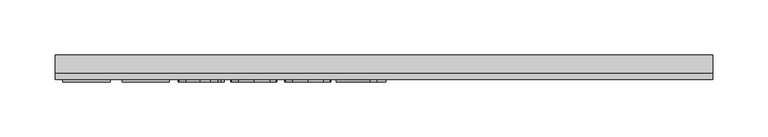
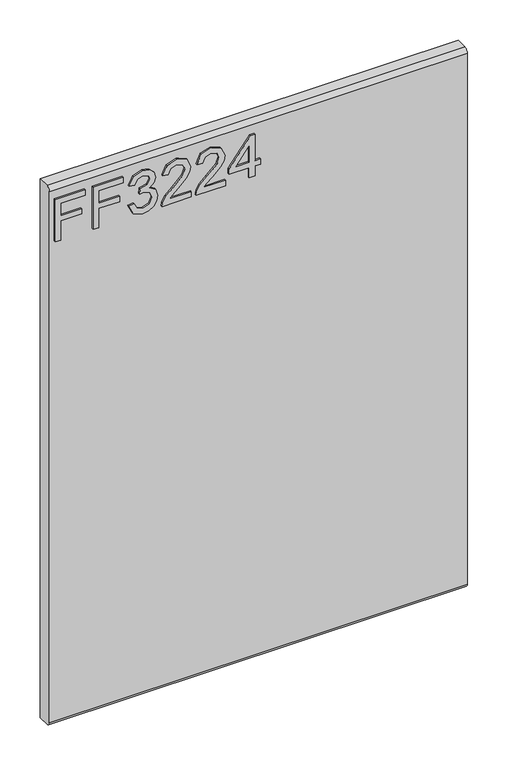
"""IFC4 building model written with IfcOpenShell, lengths in millimetres: furniture geometry."""

from ifc_helpers import new_model, si_unit, frame, origin, place, context, project, spatial, polyline, circle_curve, outline, extrude, source, transform, mapped, element, save
from ifc_brep_helpers import plane_surface, cylinder_surface, advanced_brep


def furniture_dbecc834(model_context):
    return source(origin(), model_context, "Body", "SolidModel", [
        extrude(outline(polyline([(882.65, -291.4729953), (882.65, -283.4992757), (911.5547336, -283.4992757), (911.5547336, -253.5978271), (919.5284532, -253.5978271), (919.5284532, -283.4992757), (938.4660373, -283.4992757), (938.4660373, -248.6142524), (946.4397569, -248.6142524), (946.4397569, -291.4729953), (882.65, -291.4729953)])), frame((0.0, -15.0812439, 0.0), z_axis=(0.0, 1.0, 0.0), x_axis=(0.0, 0.0, 1.0)), (0.0, 0.0, 1.0), 2.38125),
        extrude(outline(polyline([(882.65, -237.6503879), (882.65, -229.6766683), (911.5547336, -229.6766683), (911.5547336, -199.7752197), (919.5284532, -199.7752197), (919.5284532, -229.6766683), (938.4660373, -229.6766683), (938.4660373, -194.791645), (946.4397569, -194.791645), (946.4397569, -237.6503879), (882.65, -237.6503879)])), frame((0.0, -15.0812439, 0.0), z_axis=(0.0, 1.0, 0.0), x_axis=(0.0, 0.0, 1.0)), (0.0, 0.0, 1.0), 2.38125),
        extrude(outline(polyline([(899.5941542, -186.8179253), (886.6524335, -180.4794412), (881.653285, -166.4942845), (883.1172101, -157.971593), (887.5089854, -151.0607764), (894.0032063, -146.4821171), (901.7744681, -144.9558974), (912.1465331, -148.0083369), (917.597318, -156.6984454), (922.8767925, -150.1575035), (930.2275653, -147.9460422), (938.2713664, -150.274306), (944.2516562, -157.002132), (946.4397569, -166.6188739), (942.0012607, -179.2958422), (929.4956028, -185.8212104), (928.4988878, -177.8474908), (935.9742499, -173.9384993), (938.4660373, -166.3385478), (935.9976105, -158.8320383), (929.7603552, -155.9197618), (922.7210558, -159.937769), (920.5251682, -170.2631129), (912.5514486, -171.1508122), (913.4235742, -165.5598643), (910.16089, -156.4959877), (901.9146312, -152.929617), (893.162228, -156.527135), (889.6270047, -166.2139584), (892.1966604, -174.4446436), (900.5908691, -178.8442057), (899.5941542, -186.8179253)])), frame((0.0, -15.0812439, 0.0), z_axis=(0.0, 1.0, 0.0), x_axis=(0.0, 0.0, 1.0)), (0.0, 0.0, 1.0), 2.38125),
        extrude(outline(polyline([(890.6237196, -97.1135796), (890.6237196, -128.4322323), (894.6806609, -124.8347143), (902.350694, -115.661822), (913.2756243, -104.2385342), (921.0936072, -99.5274987), (928.6546245, -98.1102946), (941.3315928, -103.3664086), (946.4397569, -117.6396782), (941.845524, -131.8662268), (928.4988878, -137.9788927), (927.5021729, -130.0051731), (935.5537608, -126.6490469), (938.4660373, -117.8109886), (935.4836793, -109.3311246), (928.1718407, -106.0840142), (919.1391115, -109.5257955), (905.85477, -123.2929208), (896.6117962, -133.275644), (888.1475059, -138.1190557), (882.65, -138.9756076), (882.65, -97.1135796), (890.6237196, -97.1135796)])), frame((0.0, -15.0812439, 0.0), z_axis=(0.0, 1.0, 0.0), x_axis=(0.0, 0.0, 1.0)), (0.0, 0.0, 1.0), 2.38125),
        extrude(outline(polyline([(890.6237196, -48.274547), (890.6237196, -79.5931996), (894.6806609, -75.9956816), (902.350694, -66.8227893), (913.2756243, -55.3995015), (921.0936072, -50.688466), (928.6546245, -49.2712619), (941.3315928, -54.5273759), (946.4397569, -68.8006455), (941.845524, -83.0271941), (928.4988878, -89.13986), (927.5021729, -81.1661404), (935.5537608, -77.8100143), (938.4660373, -68.9719559), (935.4836793, -60.492092), (928.1718407, -57.2449816), (919.1391115, -60.6867629), (905.85477, -74.4538881), (896.6117962, -84.4366113), (888.1475059, -89.2800231), (882.65, -90.136575), (882.65, -48.274547), (890.6237196, -48.274547)])), frame((0.0, -15.0812439, 0.0), z_axis=(0.0, 1.0, 0.0), x_axis=(0.0, 0.0, 1.0)), (0.0, 0.0, 1.0), 2.38125),
        extrude(outline(polyline([(882.65, -14.3862386), (882.65, -6.412519), (897.6007243, -6.412519), (897.6007243, 1.5612006), (905.5744439, 1.5612006), (905.5744439, -6.412519), (945.443042, -6.412519), (945.443042, -12.3928087), (905.5744439, -43.2909722), (897.6007243, -43.2909722), (897.6007243, -14.3862386), (882.65, -14.3862386)]), holes=[polyline([(905.5744439, -14.3862386), (905.5744439, -33.4795594), (930.2119916, -14.3862386), (905.5744439, -14.3862386)])]), frame((0.0, -15.0812439, 0.0), z_axis=(0.0, 1.0, 0.0), x_axis=(0.0, 0.0, 1.0)), (0.0, 0.0, 1.0), 2.38125),
        advanced_brep(
        [(298.45, 9.5250061, 965.2), (298.45, -6.7309939, 965.2), (298.45, -12.6999939, 959.231), (298.45, -12.6999939, 158.369), (298.45, -6.7309939, 152.4), (298.45, 9.5250061, 152.4), (-298.45, 9.5250061, 965.2), (-298.45, 9.5250061, 152.4), (-298.45, -6.7309939, 152.4), (-298.45, -12.6999939, 158.369), (-298.45, -12.6999939, 959.2310121), (-298.45, -6.7309939, 965.2)],
        [
            (0, 1),
            (1, 2, circle_curve(frame((298.45, -6.7309939, 959.231), z_axis=(1.0, 0.0, 0.0), x_axis=(0.0, 1.0, 0.0)), 5.969)),
            (2, 3),
            (3, 4, circle_curve(frame((298.45, -6.7309939, 158.369), z_axis=(1.0, 0.0, 0.0), x_axis=(0.0, 1.0, 0.0)), 5.969)),
            (4, 5),
            (5, 0),
            (6, 7),
            (7, 8),
            (8, 9, circle_curve(frame((-298.45, -6.7309939, 158.369), z_axis=(-1.0, 0.0, 0.0), x_axis=(0.0, 1.0, 0.0)), 5.969)),
            (9, 10),
            (10, 11, circle_curve(frame((-298.45, -6.7309939, 959.231), z_axis=(-1.0, 0.0, 0.0), x_axis=(0.0, 1.0, 0.0)), 5.969)),
            (11, 6),
            (0, 6),
            (11, 1),
            (10, 2),
            (9, 3),
            (8, 4),
            (7, 5),
        ],
        [
            plane_surface(frame((298.45, -6.7309939, 965.2), z_axis=(1.0, 0.0, 0.0), x_axis=(0.0, -1.0, 0.0))),
            plane_surface(frame((-298.45, -6.7309939, 965.2), z_axis=(-1.0, 0.0, 0.0), x_axis=(0.0, 1.0, 0.0))),
            plane_surface(frame((298.45, 9.5250061, 965.2), z_axis=(0.0, 0.0, 1.0), x_axis=(-1.0, 0.0, 0.0))),
            cylinder_surface(frame((-298.45, -6.7309939, 959.231), z_axis=(1.0, 0.0, 0.0), x_axis=(0.0, 1.0, 0.0)), 5.969),
            plane_surface(frame((298.45, -12.6999939, 959.2310121), z_axis=(0.0, -1.0, 0.0), x_axis=(-1.0, 0.0, 0.0))),
            cylinder_surface(frame((-298.45, -6.7309939, 158.369), z_axis=(1.0, 0.0, 0.0), x_axis=(0.0, 1.0, 0.0)), 5.969),
            plane_surface(frame((298.45, -6.7309939, 152.4), z_axis=(0.0, 0.0, -1.0), x_axis=(-1.0, 0.0, 0.0))),
            plane_surface(frame((298.45, 9.5250061, 152.4), z_axis=(0.0, 1.0, 0.0), x_axis=(-1.0, 0.0, 0.0))),
        ],
        [
            (0, [[1, 2, 3, 4, 5, 6]]),
            (1, [[7, 8, 9, 10, 11, 12]]),
            (2, [[-1, 13, -12, 14]]),
            (3, [[-2, -14, -11, 15]]),
            (4, [[-3, -15, -10, 16]]),
            (5, [[-4, -16, -9, 17]]),
            (6, [[-5, -17, -8, 18]]),
            (7, [[-6, -18, -7, -13]]),
        ],
    ),
    ])


if __name__ == "__main__":
    model = new_model("IFC4")
    model_context = context("Model", 3, world=origin())
    ifc_project = project(units=[si_unit("LENGTHUNIT", "METRE", prefix="MILLI")], contexts=[model_context])
    site = spatial("IfcSite", under=ifc_project)
    building = spatial("IfcBuilding", under=site)
    placement = place(None, origin())
    furniture_shape = furniture_dbecc834(model_context)
    element("IfcFurniture", 1, at=placement, inside=building, context=model_context, shape_type="MappedRepresentation", body=[
        mapped(furniture_shape, transform((0.0, 0.0, 0.0), x_axis=(1.0, 0.0, 0.0), y_axis=(0.0, 1.0, 0.0), z_axis=(0.0, 0.0, 1.0))),
    ])
    save(model, "model.ifc")
